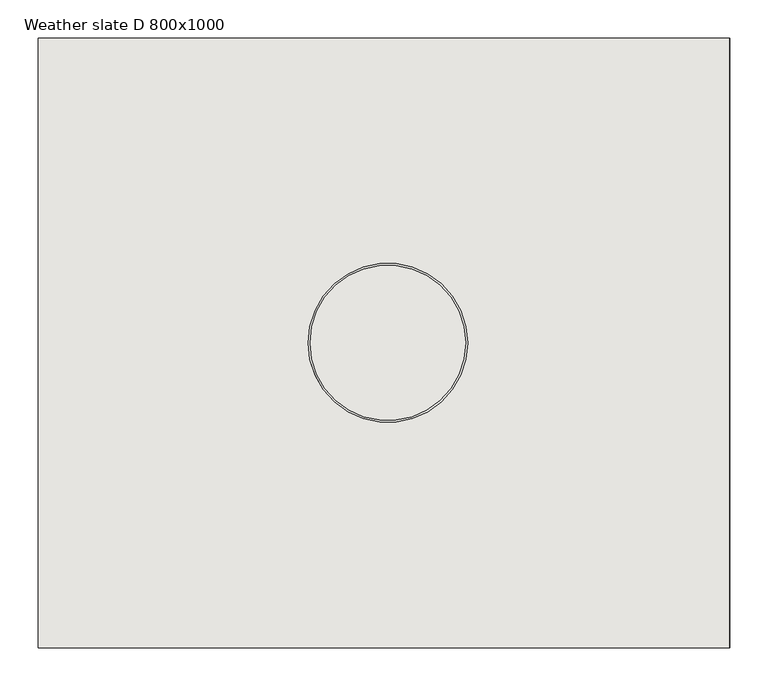
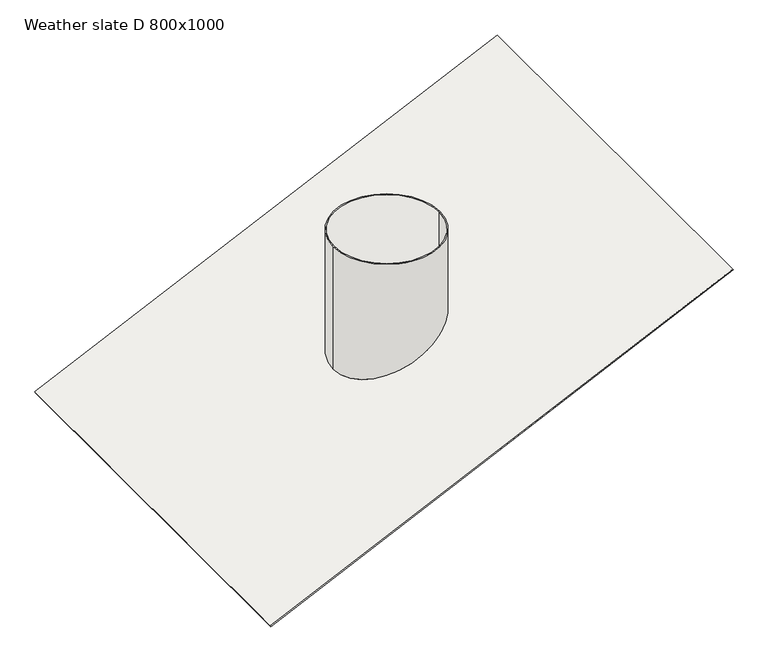
"""IFC4 building model written with IfcOpenShell, lengths in millimetres: covering geometry, Weather slate D 800x1000."""

from ifc_helpers import new_model, si_unit, frame, origin, place, context, project, spatial, polyline, circle_curve, ellipse_curve, source, transform, mapped, element, save
from ifc_brep_helpers import plane_surface, cylinder_surface, revolved_surface, advanced_brep


def weather_slate_d_800x1000_274f11d8(model_context):
    return source(origin(), model_context, "Body", "AdvancedBrep", [
        advanced_brep(
        [(448.6223546, -400.0, 209.1960396), (447.5658089, -400.0, 211.461809), (-458.7419781, -400.0, -211.1564527), (-457.6854325, -400.0, -213.4222222), (448.6223546, 400.0, 209.1960396), (-457.6854325, 400.0, -213.4222222), (-458.7419781, 400.0, -211.1564527), (447.5658089, 400.0, 211.461809), (104.5, 0.0, 51.4875951), (-104.5, 0.0, -45.9707055), (102.0, 0.0, 50.3218259), (-102.0, 0.0, -44.8049363), (-104.5, 0.0, 208.450791), (104.5, 0.0, 208.450791), (-102.0, 0.0, 208.450791), (102.0, 0.0, 208.450791)],
        [
            (0, 1),
            (1, 2),
            (2, 3),
            (3, 0),
            (4, 5),
            (5, 6),
            (6, 7),
            (7, 4),
            (0, 4),
            (7, 1),
            (6, 2),
            (8, 9, ellipse_curve(frame((0.0, 0.0, 2.7584448), z_axis=(0.4226182617407001, 0.0, -0.9063077870366497), x_axis=(0.9063077870366497, 0.0, 0.42261826174069994)), 115.3029925, 104.5)),
            (9, 8, ellipse_curve(frame((0.0, 0.0, 2.7584448), z_axis=(0.4226182617407001, 0.0, -0.9063077870366497), x_axis=(0.9063077870366497, 0.0, 0.42261826174069994)), 115.3029925, 104.5)),
            (10, 11, ellipse_curve(frame((0.0, 0.0, 2.7584448), z_axis=(-0.4226182617407001, 0.0, 0.9063077870366497), x_axis=(-0.9063077870366497, 0.0, -0.42261826174069994)), 112.5445477, 102.0)),
            (11, 10, ellipse_curve(frame((0.0, 0.0, 2.7584448), z_axis=(-0.4226182617407001, 0.0, 0.9063077870366497), x_axis=(-0.9063077870366497, 0.0, -0.42261826174069994)), 112.5445477, 102.0)),
            (5, 3),
            (12, 13, circle_curve(frame((0.0, 0.0, 208.450791), z_axis=(0.0, 0.0, 1.0), x_axis=(1.0, 0.0, 0.0)), 104.5)),
            (13, 12, circle_curve(frame((0.0, 0.0, 208.450791), z_axis=(0.0, 0.0, 1.0), x_axis=(1.0, 0.0, 0.0)), 104.5)),
            (14, 15, circle_curve(frame((0.0, 0.0, 208.450791), z_axis=(0.0, 0.0, -1.0), x_axis=(1.0, 0.0, 0.0)), 102.0)),
            (15, 14, circle_curve(frame((0.0, 0.0, 208.450791), z_axis=(0.0, 0.0, -1.0), x_axis=(1.0, 0.0, 0.0)), 102.0)),
            (12, 9),
            (8, 13),
            (14, 11),
            (10, 15),
        ],
        [
            plane_surface(frame((448.6223546, -400.0, 209.1960396), z_axis=(0.0, -1.0000000000000002, 0.0), x_axis=(-0.42261826174069594, 0.0, 0.9063077870366517))),
            plane_surface(frame((448.6223546, 400.0, 209.1960396), z_axis=(0.0, 1.0000000000000002, 0.0), x_axis=(0.42261826174069594, 0.0, -0.9063077870366517))),
            plane_surface(frame((448.6223546, -400.0, 209.1960396), z_axis=(0.9063077870366517, 0.0, 0.42261826174069594), x_axis=(0.0, 1.0, 0.0))),
            plane_surface(frame((447.5658089, -400.0, 211.461809), z_axis=(-0.4226182617407001, 0.0, 0.9063077870366497), x_axis=(0.0, 1.0, 0.0))),
            plane_surface(frame((-458.7419781, -400.0, -211.1564527), z_axis=(-0.9063077870366517, 0.0, -0.42261826174069594), x_axis=(0.0, 1.0, 0.0))),
            plane_surface(frame((104.5, 0.0, 208.450791), z_axis=(0.0, 0.0, 1.0), x_axis=(0.0, 1.0, 0.0))),
            cylinder_surface(frame((0.0, 0.0, -48.7291503), z_axis=(0.0, 0.0, 1.0), x_axis=(1.0, 0.0, 0.0)), 104.5),
            revolved_surface(polyline([(102.0, 0.0, -44.804936317367286), (102.0, 0.0, 208.450791)]), (0.0, 0.0, 0.0), (0.0, 0.0, -1.0)),
            plane_surface(frame((104.5, -400.0, 48.7291503), z_axis=(0.4226182617407014, 0.0, -0.9063077870366492), x_axis=(0.0, 1.0, 0.0))),
        ],
        [
            (0, [[1, 2, 3, 4]]),
            (1, [[5, 6, 7, 8]]),
            (2, [[-1, 9, -8, 10]]),
            (3, [[-2, -10, -7, 11], [12, 13]]),
            (3, [[14, 15]]),
            (4, [[-3, -11, -6, 16]]),
            (5, [[17, 18], [19, 20]]),
            (6, [[-17, 21, -12, 22]]),
            (6, [[-18, -22, -13, -21]]),
            (7, [[-19, 23, -14, 24]]),
            (7, [[-20, -24, -15, -23]]),
            (8, [[-4, -16, -5, -9]]),
        ],
    ),
    ])


if __name__ == "__main__":
    model = new_model("IFC4")
    model_context = context("Model", 3, world=origin())
    ifc_project = project(units=[si_unit("LENGTHUNIT", "METRE", prefix="MILLI")], contexts=[model_context])
    site = spatial("IfcSite", under=ifc_project)
    building = spatial("IfcBuilding", under=site)
    placement = place(None, origin())
    weather_slate_d_800x1000_shape = weather_slate_d_800x1000_274f11d8(model_context)
    element("IfcCovering", 1, ObjectType="Weather slate D 800x1000", at=placement, inside=building, context=model_context, shape_type="MappedRepresentation", body=[
        mapped(weather_slate_d_800x1000_shape, transform((0.0, 0.0, 0.0), x_axis=(1.0, 0.0, 0.0), y_axis=(0.0, 1.0, 0.0), z_axis=(0.0, 0.0, 1.0))),
    ])
    save(model, "model.ifc")
